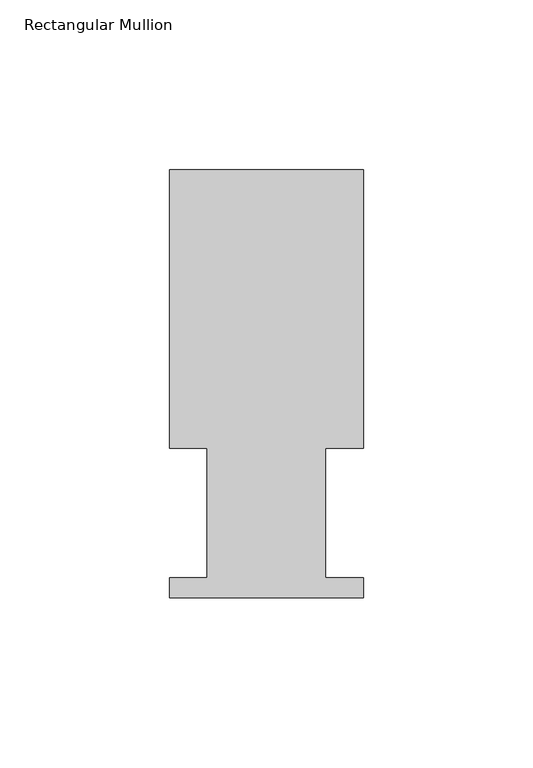
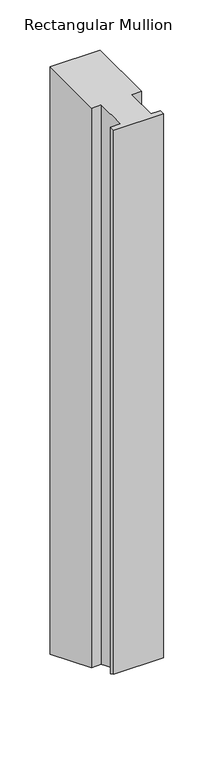
"""IFC4 building model written with IfcOpenShell, lengths in millimetres: member geometry, Rectangular Mullion."""

from ifc_helpers import new_model, si_unit, origin, place, context, project, spatial, faceted_brep, source, transform, mapped, element, save


def rectangular_mullion_c3af7d47(model_context):
    return source(origin(), model_context, "Body", "Brep", [
        faceted_brep([(0.0, 126.619, 0.0), (-57.15, 126.619, 0.0), (-57.15, 44.45, 0.0), (-46.0370705, 44.45, 0.0), (-46.0370705, 6.35, 0.0), (-57.15, 6.35, 0.0), (-57.15, 0.4064, 0.0), (0.0, 0.4064, 0.0), (0.0, 6.35, 0.0), (-11.1120704, 6.35, 0.0), (-11.1120704, 44.45, 0.0), (0.0, 44.45, 0.0), (0.0, 126.619, -712.0190469), (-57.15, 126.619, -712.0190469), (-57.15, 44.45, -677.9835327), (-46.0370705, 44.45, -677.9835327), (-46.0370705, 6.35, -662.201996), (-57.15, 6.35, -662.201996), (-57.15, 0.4064, -659.7400763), (0.0, 0.4064, -659.7400763), (0.0, 6.35, -662.201996), (-11.1120704, 6.35, -662.201996), (-11.1120704, 44.45, -677.9835327), (0.0, 44.45, -677.9835327)], [[[0, 1, 2, 3, 4, 5, 6, 7, 8, 9, 10, 11]], [[1, 0, 12, 13]], [[2, 1, 13, 14]], [[3, 2, 14, 15]], [[4, 3, 15, 16]], [[5, 4, 16, 17]], [[6, 5, 17, 18]], [[7, 6, 18, 19]], [[8, 7, 19, 20]], [[9, 8, 20, 21]], [[10, 9, 21, 22]], [[11, 10, 22, 23]], [[0, 11, 23, 12]], [[12, 23, 22, 21, 20, 19, 18, 17, 16, 15, 14, 13]]]),
    ])


if __name__ == "__main__":
    model = new_model("IFC4")
    model_context = context("Model", 3, world=origin())
    ifc_project = project(units=[si_unit("LENGTHUNIT", "METRE", prefix="MILLI")], contexts=[model_context])
    site = spatial("IfcSite", under=ifc_project)
    building = spatial("IfcBuilding", under=site)
    placement = place(None, origin())
    rectangular_mullion_shape = rectangular_mullion_c3af7d47(model_context)
    element("IfcMember", 1, ObjectType="Rectangular Mullion", at=placement, inside=building, context=model_context, shape_type="MappedRepresentation", body=[
        mapped(rectangular_mullion_shape, transform((0.0, 0.0, 0.0), x_axis=(1.0, 0.0, 0.0), y_axis=(0.0, 1.0, 0.0), z_axis=(0.0, 0.0, 1.0))),
    ])
    save(model, "model.ifc")
